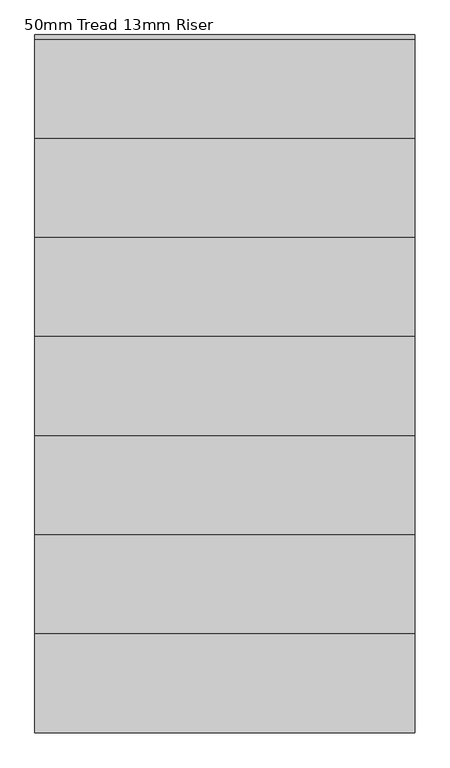
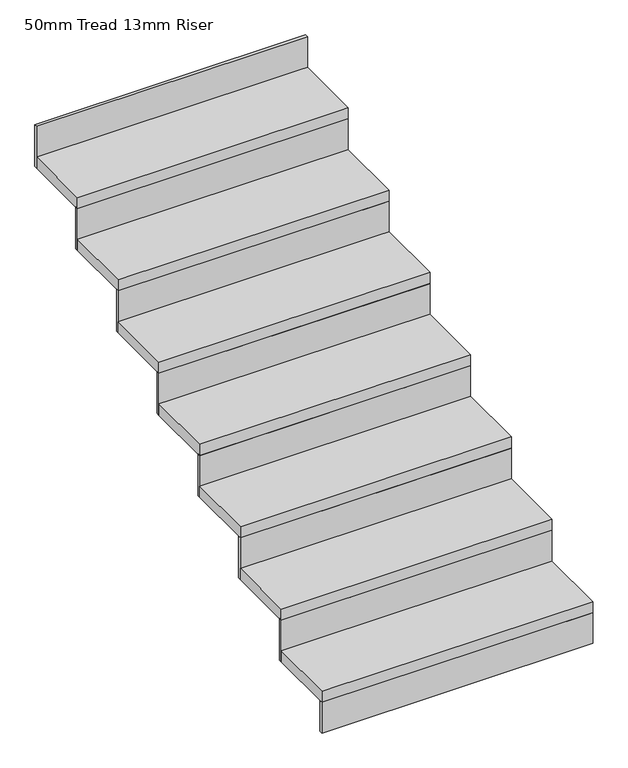
"""IFC4 building model written with IfcOpenShell, lengths in millimetres: stair flight geometry, 50mm Tread 13mm Riser."""

from ifc_helpers import new_model, si_unit, frame, origin, place, context, project, spatial, polyline, outline, extrude, source, transform, mapped, element, save


def stair_flight_50mm_tread_13mm_riser_a3e85af1(model_context):
    return source(origin(), model_context, "Body", "SweptSolid", [
        extrude(outline(polyline([(1534.355623, -11459.865151), (1534.355623, -11472.365151), (383.6347234, -11472.365151), (383.6347234, -11459.865151), (1534.355623, -11459.865151)])), frame((0.0, 0.0, 3000.0), z_axis=(0.0, 0.0, 1.0), x_axis=(1.0, 0.0, 0.0)), (0.0, 0.0, 1.0), 137.5),
        extrude(outline(polyline([(383.6347234, -11172.365151), (1534.355623, -11172.365151), (1534.355623, -11472.365151), (383.6347234, -11472.365151), (383.6347234, -11172.365151)])), frame((0.0, 0.0, 3137.5), z_axis=(0.0, 0.0, 1.0), x_axis=(1.0, 0.0, 0.0)), (0.0, 0.0, 1.0), 50.0),
        extrude(outline(polyline([(1534.355623, -11159.865151), (1534.355623, -11172.365151), (383.6347234, -11172.365151), (383.6347234, -11159.865151), (1534.355623, -11159.865151)])), frame((0.0, 0.0, 3137.5), z_axis=(0.0, 0.0, 1.0), x_axis=(1.0, 0.0, 0.0)), (0.0, 0.0, 1.0), 187.5),
        extrude(outline(polyline([(383.6347234, -10872.365151), (1534.355623, -10872.365151), (1534.355623, -11172.365151), (383.6347234, -11172.365151), (383.6347234, -10872.365151)])), frame((0.0, 0.0, 3325.0), z_axis=(0.0, 0.0, 1.0), x_axis=(1.0, 0.0, 0.0)), (0.0, 0.0, 1.0), 50.0),
        extrude(outline(polyline([(1534.355623, -10859.865151), (1534.355623, -10872.365151), (383.6347234, -10872.365151), (383.6347234, -10859.865151), (1534.355623, -10859.865151)])), frame((0.0, 0.0, 3325.0), z_axis=(0.0, 0.0, 1.0), x_axis=(1.0, 0.0, 0.0)), (0.0, 0.0, 1.0), 187.5),
        extrude(outline(polyline([(383.6347234, -10572.365151), (1534.355623, -10572.365151), (1534.355623, -10872.365151), (383.6347234, -10872.365151), (383.6347234, -10572.365151)])), frame((0.0, 0.0, 3512.5), z_axis=(0.0, 0.0, 1.0), x_axis=(1.0, 0.0, 0.0)), (0.0, 0.0, 1.0), 50.0),
        extrude(outline(polyline([(1534.355623, -10559.865151), (1534.355623, -10572.365151), (383.6347234, -10572.365151), (383.6347234, -10559.865151), (1534.355623, -10559.865151)])), frame((0.0, 0.0, 3512.5), z_axis=(0.0, 0.0, 1.0), x_axis=(1.0, 0.0, 0.0)), (0.0, 0.0, 1.0), 187.5),
        extrude(outline(polyline([(383.6347234, -10272.365151), (1534.355623, -10272.365151), (1534.355623, -10572.365151), (383.6347234, -10572.365151), (383.6347234, -10272.365151)])), frame((0.0, 0.0, 3700.0), z_axis=(0.0, 0.0, 1.0), x_axis=(1.0, 0.0, 0.0)), (0.0, 0.0, 1.0), 50.0),
        extrude(outline(polyline([(1534.355623, -10259.865151), (1534.355623, -10272.365151), (383.6347234, -10272.365151), (383.6347234, -10259.865151), (1534.355623, -10259.865151)])), frame((0.0, 0.0, 3700.0), z_axis=(0.0, 0.0, 1.0), x_axis=(1.0, 0.0, 0.0)), (0.0, 0.0, 1.0), 187.5),
        extrude(outline(polyline([(383.6347234, -9972.365151), (1534.355623, -9972.365151), (1534.355623, -10272.365151), (383.6347234, -10272.365151), (383.6347234, -9972.365151)])), frame((0.0, 0.0, 3887.5), z_axis=(0.0, 0.0, 1.0), x_axis=(1.0, 0.0, 0.0)), (0.0, 0.0, 1.0), 50.0),
        extrude(outline(polyline([(1534.355623, -9959.865151), (1534.355623, -9972.365151), (383.6347234, -9972.365151), (383.6347234, -9959.865151), (1534.355623, -9959.865151)])), frame((0.0, 0.0, 3887.5), z_axis=(0.0, 0.0, 1.0), x_axis=(1.0, 0.0, 0.0)), (0.0, 0.0, 1.0), 187.5),
        extrude(outline(polyline([(383.6347234, -9672.365151), (1534.355623, -9672.365151), (1534.355623, -9972.365151), (383.6347234, -9972.365151), (383.6347234, -9672.365151)])), frame((0.0, 0.0, 4075.0), z_axis=(0.0, 0.0, 1.0), x_axis=(1.0, 0.0, 0.0)), (0.0, 0.0, 1.0), 50.0),
        extrude(outline(polyline([(1534.355623, -9659.865151), (1534.355623, -9672.365151), (383.6347234, -9672.365151), (383.6347234, -9659.865151), (1534.355623, -9659.865151)])), frame((0.0, 0.0, 4075.0), z_axis=(0.0, 0.0, 1.0), x_axis=(1.0, 0.0, 0.0)), (0.0, 0.0, 1.0), 187.5),
        extrude(outline(polyline([(1534.355623, -9359.865151), (1534.355623, -9372.365151), (383.6347234, -9372.365151), (383.6347234, -9359.865151), (1534.355623, -9359.865151)])), frame((0.0, 0.0, 4262.5), z_axis=(0.0, 0.0, 1.0), x_axis=(1.0, 0.0, 0.0)), (0.0, 0.0, 1.0), 187.5),
        extrude(outline(polyline([(383.6347234, -9372.365151), (1534.355623, -9372.365151), (1534.355623, -9672.365151), (383.6347234, -9672.365151), (383.6347234, -9372.365151)])), frame((0.0, 0.0, 4262.5), z_axis=(0.0, 0.0, 1.0), x_axis=(1.0, 0.0, 0.0)), (0.0, 0.0, 1.0), 50.0),
    ])


if __name__ == "__main__":
    model = new_model("IFC4")
    model_context = context("Model", 3, world=origin())
    ifc_project = project(units=[si_unit("LENGTHUNIT", "METRE", prefix="MILLI")], contexts=[model_context])
    site = spatial("IfcSite", under=ifc_project)
    building = spatial("IfcBuilding", under=site)
    placement = place(None, origin())
    stair_flight_50mm_tread_13mm_riser_shape = stair_flight_50mm_tread_13mm_riser_a3e85af1(model_context)
    element("IfcStairFlight", 1, ObjectType="50mm Tread 13mm Riser", at=placement, inside=building, context=model_context, shape_type="MappedRepresentation", body=[
        mapped(stair_flight_50mm_tread_13mm_riser_shape, transform((0.0, 0.0, 0.0), x_axis=(1.0, 0.0, 0.0), y_axis=(0.0, 1.0, 0.0), z_axis=(0.0, 0.0, 1.0))),
    ])
    save(model, "model.ifc")
